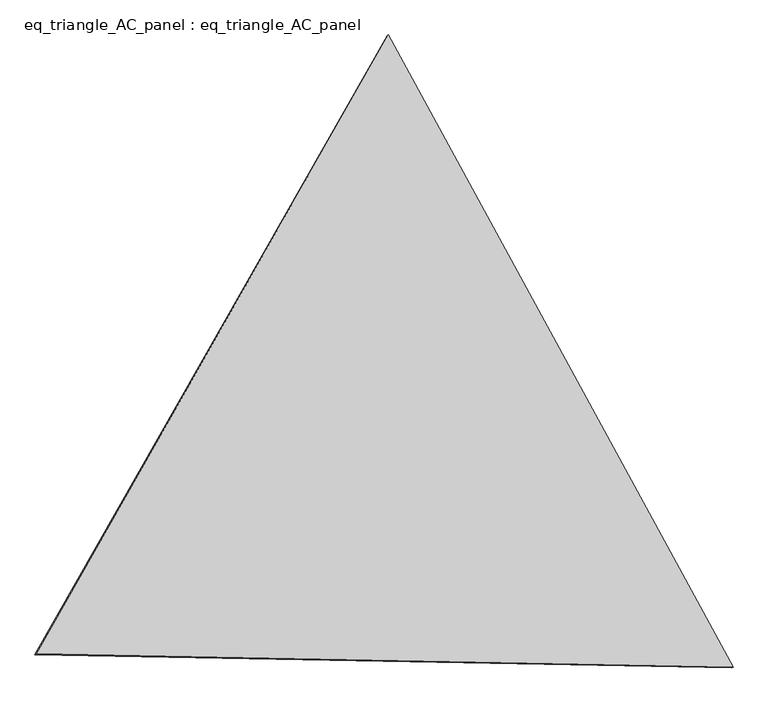
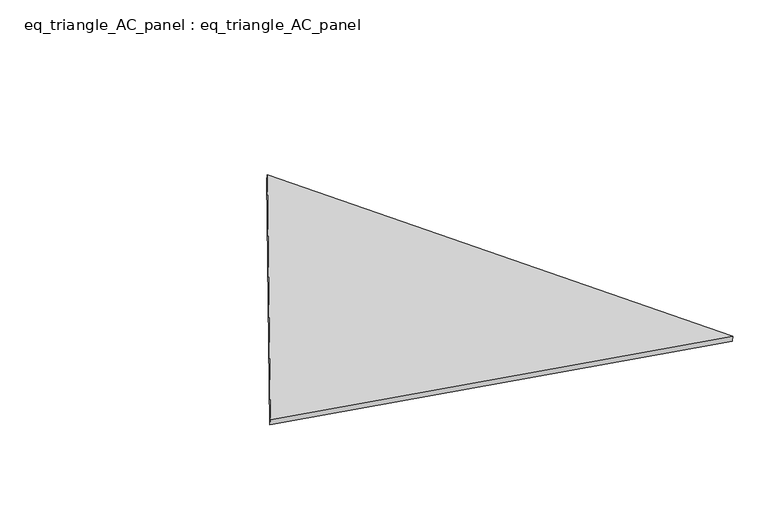
"""IFC4 building model written with IfcOpenShell, lengths in millimetres: proxy geometry, eq_triangle_AC_panel : eq_triangle_AC_panel."""

import ifcopenshell
import ifcopenshell.guid

model = None  # the IFC model being written
_history = None  # IfcOwnerHistory: only IFC2X3 demands one
_inside = {}  # id of a spatial element -> (the spatial element, [elements in it])
_under = {}  # id of a project, library or spatial element -> (it, [spatial elements below it])
_declared = {}  # id of a project -> (the project, [libraries it declares])
_typed = {}  # id of a type object -> (the type object, [elements of that type])
_made_of = {}  # id of a material, layer set ... -> (it, [elements and type objects made of it])


def new_model(schema):
    """Start an empty IFC model of exactly this schema.

    Asked for "IFC4X3", IfcOpenShell would pick the latest addendum, in which some entities
    have other attributes; the version numbers below select the first issue.
    IFC2X3 requires an IfcOwnerHistory on every rooted entity: one is made here for all.
    """
    global model, _history
    if schema == "IFC4X3":
        model = ifcopenshell.file(schema_version=(4, 3, 0, 0))
    else:
        model = ifcopenshell.file(schema=schema)
    _inside.clear()
    _under.clear()
    _declared.clear()
    _typed.clear()
    _made_of.clear()
    _history = None
    if model.schema == "IFC2X3":
        org = make("IfcOrganization", Name="unknown")
        user = make(
            "IfcPersonAndOrganization",
            ThePerson=make("IfcPerson", FamilyName="unknown"),
            TheOrganization=org,
        )
        app = make(
            "IfcApplication",
            ApplicationDeveloper=org,
            Version="unknown",
            ApplicationFullName="unknown",
            ApplicationIdentifier="unknown",
        )
        _history = make(
            "IfcOwnerHistory",
            OwningUser=user,
            OwningApplication=app,
            ChangeAction="ADDED",
            CreationDate=0,
        )
    return model


def make(cls, **values):
    """One entity of the class cls with the attributes given. An attribute that is None is left unset."""
    return model.create_entity(
        cls, **{name: value for name, value in values.items() if value is not None}
    )


def rooted(cls, **values):
    """An entity with a GlobalId (a new one), such as an element, a storey or a relation."""
    return make(cls, GlobalId=ifcopenshell.guid.new(), OwnerHistory=_history, **values)


def si_unit(unit_type, name, prefix=None):
    """IfcSIUnit, for example si_unit("LENGTHUNIT", "METRE", prefix="MILLI")."""
    return make("IfcSIUnit", UnitType=unit_type, Prefix=prefix, Name=name)


def assignment(units):
    """IfcUnitAssignment: the units of a project."""
    return None if units is None else make("IfcUnitAssignment", Units=units)


def point(xyz):
    """IfcCartesianPoint."""
    return None if xyz is None else make("IfcCartesianPoint", Coordinates=xyz)


def direction(xyz):
    """IfcDirection."""
    return None if xyz is None else make("IfcDirection", DirectionRatios=xyz)


def frame(location, z_axis=None, x_axis=None):
    """IfcAxis2Placement3D, a coordinate frame: its origin and axes. An axis left out is left unset."""
    return make(
        "IfcAxis2Placement3D",
        Location=point(location),
        Axis=direction(z_axis),
        RefDirection=direction(x_axis),
    )


def origin():
    """The frame at (0, 0, 0) with its axes left unset."""
    return frame((0.0, 0.0, 0.0))


def place(relative_to, where):
    """IfcLocalPlacement: puts the frame where relative to a parent placement (None: the world)."""
    return make(
        "IfcLocalPlacement", PlacementRelTo=relative_to, RelativePlacement=where
    )


def context(
    kind, dimensions, precision=None, world=None, true_north=None, identifier=None
):
    """IfcGeometricRepresentationContext, for example the 3D "Model" context."""
    return make(
        "IfcGeometricRepresentationContext",
        ContextIdentifier=identifier,
        ContextType=kind,
        CoordinateSpaceDimension=dimensions,
        Precision=precision,
        WorldCoordinateSystem=world,
        TrueNorth=true_north,
    )


def project(units=None, contexts=None):
    """IfcProject with its units and contexts."""
    return rooted(
        "IfcProject",
        Name="project",
        RepresentationContexts=contexts,
        UnitsInContext=assignment(units),
    )


def spatial(cls, under=None, at=None, **own):
    """A site, building, storey or space (cls), placed at a placement, below another one or the project."""
    s = rooted(cls, ObjectPlacement=at, **own)
    if under is not None:
        _under.setdefault(under.id(), (under, []))[1].append(s)
    return s


def polyline(points):
    """IfcPolyline through the points."""
    return make("IfcPolyline", Points=[point(p) for p in points])


def outline(outer, holes=None, kind="AREA"):
    """IfcArbitraryClosedProfileDef: a profile drawn as a closed curve; with holes, ...WithVoids."""
    if holes is None:
        return make("IfcArbitraryClosedProfileDef", ProfileType=kind, OuterCurve=outer)
    return make(
        "IfcArbitraryProfileDefWithVoids",
        ProfileType=kind,
        OuterCurve=outer,
        InnerCurves=holes,
    )


def extrude(swept, where, along, depth):
    """IfcExtrudedAreaSolid: the profile swept, set in the frame where, extruded along a direction by depth."""
    return make(
        "IfcExtrudedAreaSolid",
        SweptArea=swept,
        Position=where,
        ExtrudedDirection=direction(along),
        Depth=depth,
    )


def shape(context_of_items, identifier, shape_type, items):
    """IfcShapeRepresentation: the items that make up one representation, for example the "Body"."""
    return make(
        "IfcShapeRepresentation",
        ContextOfItems=context_of_items,
        RepresentationIdentifier=identifier,
        RepresentationType=shape_type,
        Items=items,
    )


def source(mapping_origin, context_of_items, identifier, shape_type, items):
    """IfcRepresentationMap: a shape defined once, which mapped items show again and again."""
    return make(
        "IfcRepresentationMap",
        MappingOrigin=mapping_origin,
        MappedRepresentation=shape(context_of_items, identifier, shape_type, items),
    )


def transform(
    local_origin,
    x_axis=None,
    y_axis=None,
    z_axis=None,
    scale=None,
    scale2=None,
    scale3=None,
    uniform=True,
):
    """IfcCartesianTransformationOperator3D, or its non-uniform kind. x_axis, y_axis, z_axis: its Axis1, 2, 3."""
    if uniform:
        return make(
            "IfcCartesianTransformationOperator3D",
            Axis1=direction(x_axis),
            Axis2=direction(y_axis),
            LocalOrigin=point(local_origin),
            Scale=scale,
            Axis3=direction(z_axis),
        )
    return make(
        "IfcCartesianTransformationOperator3DnonUniform",
        Axis1=direction(x_axis),
        Axis2=direction(y_axis),
        LocalOrigin=point(local_origin),
        Scale=scale,
        Axis3=direction(z_axis),
        Scale2=scale2,
        Scale3=scale3,
    )


def mapped(mapping_source, mapping_target):
    """IfcMappedItem: shows the shape of a source again, moved by a transform."""
    return make(
        "IfcMappedItem", MappingSource=mapping_source, MappingTarget=mapping_target
    )


def made_of(thing, what):
    """Note that an element or type object is made of a material, layer set ...; save() writes the relation."""
    if what is not None:
        _made_of.setdefault(what.id(), (what, []))[1].append(thing)
    return thing


def element(
    cls,
    number,
    at=None,
    inside=None,
    cuts=None,
    type_object=None,
    material=None,
    context=None,
    identifier="Body",
    shape_type=None,
    held_by="IfcProductDefinitionShape",
    body=None,
    shapes=None,
    **own,
):
    """One element of the class cls, such as IfcWall. Its Tag is "e" and its number.

    at: its placement. inside: the storey or other place that contains it. cuts: it is an
    opening in that element (IfcRelVoidsElement). A single representation is given by context,
    identifier, shape_type and body (its items); several are given by shapes. held_by: the class
    of the entity that holds the representations. save() writes the other relations.
    """
    e = rooted(cls, Tag="e%d" % number, ObjectPlacement=at, **own)
    if body is not None:
        shapes = [shape(context, identifier, shape_type, body)]
    if shapes is not None:
        e.Representation = make(held_by, Representations=shapes)
    if inside is not None:
        _inside.setdefault(inside.id(), (inside, []))[1].append(e)
    if cuts is not None:
        rooted(
            "IfcRelVoidsElement", RelatingBuildingElement=cuts, RelatedOpeningElement=e
        )
    if type_object is not None:
        _typed.setdefault(type_object.id(), (type_object, []))[1].append(e)
    return made_of(e, material)


def aggregate(whole, parts):
    """IfcRelAggregates: a whole, such as a stair, and the parts it consists of."""
    return rooted("IfcRelAggregates", RelatingObject=whole, RelatedObjects=parts)


def save(model, path):
    """Write the relations noted so far, then the file.

    IfcRelAggregates (storeys below a building ...), IfcRelContainedInSpatialStructure (elements
    in a storey), IfcRelDefinesByType, IfcRelAssociatesMaterial and IfcRelDeclares: one each for
    every whole, place, type object, material and project.
    """
    for whole, parts in _under.values():
        aggregate(whole, parts)
    for where, things in _inside.values():
        rooted(
            "IfcRelContainedInSpatialStructure",
            RelatedElements=things,
            RelatingStructure=where,
        )
    for kind, things in _typed.values():
        rooted("IfcRelDefinesByType", RelatedObjects=things, RelatingType=kind)
    for what, things in _made_of.values():
        rooted("IfcRelAssociatesMaterial", RelatedObjects=things, RelatingMaterial=what)
    for by, libraries in _declared.values():
        rooted("IfcRelDeclares", RelatingContext=by, RelatedDefinitions=libraries)
    model.write(path)


def eq_triangle_ac_panel_eq_triangle_ac_panel_7a40cd72(model_context):
    return source(origin(), model_context, "Body", "SweptSolid", [
        extrude(outline(polyline([(-2091.2842303, 1173.1700195), (2032.8306628, 1173.1700196), (58.4535673, -2346.3400391), (-2091.2842303, 1173.1700195)])), frame((0.0038051, 527.9290861, 89.8240019), z_axis=(0.14526328518060705, 0.08386570281802122, 0.9858321976225858), x_axis=(0.4785849977997564, -0.8780313029551311, 0.004175034361765166)), (0.0, 0.0, 1.0), 43.8306294),
    ])


if __name__ == "__main__":
    model = new_model("IFC4")
    model_context = context("Model", 3, world=origin())
    ifc_project = project(units=[si_unit("LENGTHUNIT", "METRE", prefix="MILLI")], contexts=[model_context])
    site = spatial("IfcSite", under=ifc_project)
    building = spatial("IfcBuilding", under=site)
    placement = place(None, origin())
    eq_triangle_ac_panel_eq_triangle_ac_panel_shape = eq_triangle_ac_panel_eq_triangle_ac_panel_7a40cd72(model_context)
    element("IfcBuildingElementProxy", 1, Name="eq_triangle_AC_panel : eq_triangle_AC_panel", ObjectType="eq_triangle_AC_panel : eq_triangle_AC_panel", at=placement, inside=building, context=model_context, shape_type="MappedRepresentation", body=[
        mapped(eq_triangle_ac_panel_eq_triangle_ac_panel_shape, transform((0.0, 0.0, 0.0), x_axis=(1.0, 0.0, 0.0), y_axis=(0.0, 1.0, 0.0), z_axis=(0.0, 0.0, 1.0))),
    ])
    save(model, "model.ifc")
